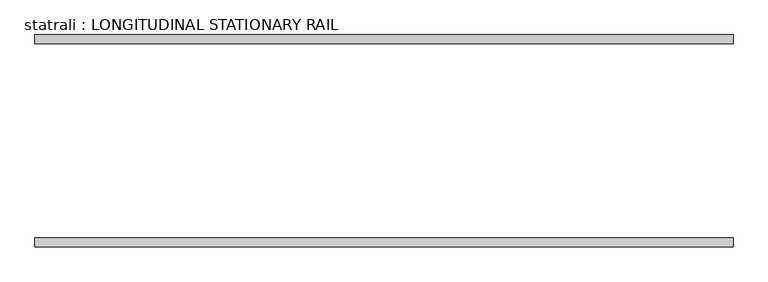
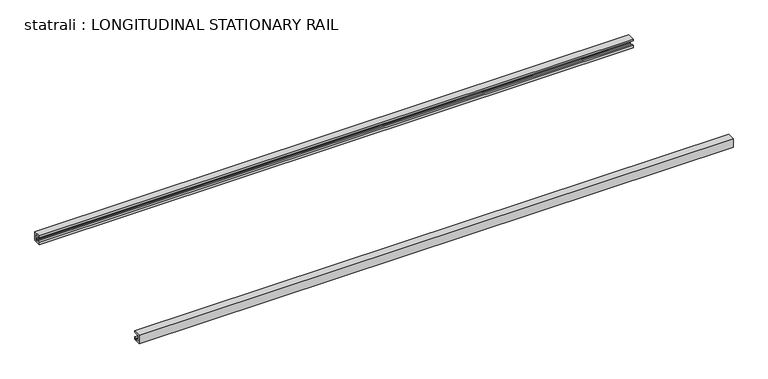
"""IFC4 building model written with IfcOpenShell, lengths in millimetres: proxy geometry, statrali : LONGITUDINAL STATIONARY RAIL."""

from ifc_helpers import new_model, si_unit, frame, origin, place, context, project, spatial, polyline, outline, extrude, source, transform, mapped, element, save


def statrali_longitudinal_stationary_rail_7f7c1981(model_context):
    return source(origin(), model_context, "Body", "SweptSolid", [
        extrude(outline(polyline([(-2586.5970657, 2743.2), (-2523.0970657, 2743.2), (-2523.0970657, 2729.5879123), (-2575.6845024, 2729.5879123), (-2575.6845024, 2689.9004123), (-2566.8437974, 2689.9004123), (-2566.8437974, 2680.2041551), (-2540.1362759, 2680.2041551), (-2540.1362759, 2689.9004123), (-2523.0970657, 2689.9004123), (-2523.0970657, 2667.0), (-2586.5970657, 2667.0), (-2586.5970657, 2743.2)])), frame((549.8012711, 0.0, 0.0), z_axis=(1.0, 0.0, 0.0), x_axis=(0.0, 1.0, 0.0)), (0.0, 0.0, 1.0), 4927.6),
        extrude(outline(polyline([(-1087.9970657, 2743.2), (-1087.9970657, 2667.0), (-1151.4970657, 2667.0), (-1151.4970657, 2689.9004123), (-1134.4578554, 2689.9004123), (-1134.4578554, 2680.2041551), (-1107.750334, 2680.2041551), (-1107.750334, 2689.9004123), (-1098.9096289, 2689.9004123), (-1098.9096289, 2729.5879123), (-1151.4970657, 2729.5879123), (-1151.4970657, 2743.2), (-1087.9970657, 2743.2)])), frame((549.8012711, 0.0, 0.0), z_axis=(1.0, 0.0, 0.0), x_axis=(0.0, 1.0, 0.0)), (0.0, 0.0, 1.0), 4927.6),
    ])


if __name__ == "__main__":
    model = new_model("IFC4")
    model_context = context("Model", 3, world=origin())
    ifc_project = project(units=[si_unit("LENGTHUNIT", "METRE", prefix="MILLI")], contexts=[model_context])
    site = spatial("IfcSite", under=ifc_project)
    building = spatial("IfcBuilding", under=site)
    placement = place(None, origin())
    statrali_longitudinal_stationary_rail_shape = statrali_longitudinal_stationary_rail_7f7c1981(model_context)
    element("IfcBuildingElementProxy", 1, Name="statrali : LONGITUDINAL STATIONARY RAIL", ObjectType="statrali : LONGITUDINAL STATIONARY RAIL", at=placement, inside=building, context=model_context, shape_type="MappedRepresentation", body=[
        mapped(statrali_longitudinal_stationary_rail_shape, transform((0.0, 0.0, 0.0), x_axis=(1.0, 0.0, 0.0), y_axis=(0.0, 1.0, 0.0), z_axis=(0.0, 0.0, 1.0))),
    ])
    save(model, "model.ifc")
